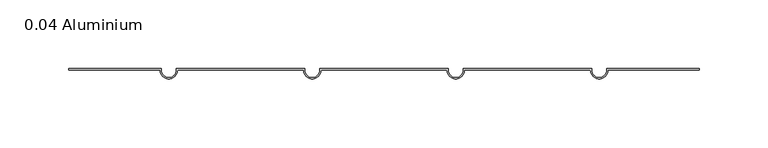
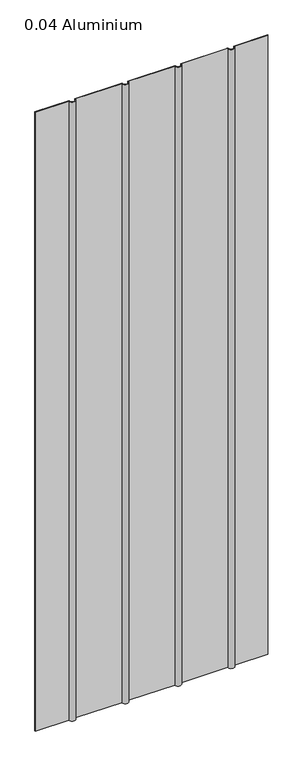
"""IFC4 building model written with IfcOpenShell, lengths in millimetres: plate geometry, 0.04 Aluminium."""

from ifc_helpers import new_model, si_unit, point, frame_2d, origin, origin_with_axes, place, context, project, spatial, polyline, circle_curve, trimmed, segment, composite_curve, outline, extrude, source, transform, mapped, element, save


def plate_0_04_aluminium_6ef417ca(model_context):
    return source(origin(), model_context, "Body", "SweptSolid", [
        extrude(outline(composite_curve([segment(polyline([(45.68698, 0.0), (-45.68698, 0.0)]), True, "CONTINUOUS"), segment(trimmed(circle_curve(frame_2d((-52.03698, 0.0)), 6.35), [point((-45.68698, 0.0))], [point((-58.38698, 0.0))], False, "CARTESIAN"), True, "CONTINUOUS"), segment(polyline([(-58.38698, 0.0), (-149.76094, 0.0)]), True, "CONTINUOUS"), segment(trimmed(circle_curve(frame_2d((-156.11094, 0.0)), 6.35), [point((-149.76094, 0.0))], [point((-162.46094, 0.0))], False, "CARTESIAN"), True, "CONTINUOUS"), segment(polyline([(-162.46094, 0.0), (-228.6, 0.0), (-228.6, 1.016), (-161.64814, 1.016), (-161.64814, 0.0)]), True, "CONTINUOUS"), segment(trimmed(circle_curve(frame_2d((-156.11094, 0.0)), 5.5372), [point((-161.64814, 0.0))], [point((-150.57374, 0.0))], True, "CARTESIAN"), True, "CONTINUOUS"), segment(polyline([(-150.57374, 0.0), (-150.57374, 1.016), (-57.57418, 1.016), (-57.57418, 0.0)]), True, "CONTINUOUS"), segment(trimmed(circle_curve(frame_2d((-52.03698, 0.0)), 5.5372), [point((-57.57418, 0.0))], [point((-46.49978, 0.0))], True, "CARTESIAN"), True, "CONTINUOUS"), segment(polyline([(-46.49978, 0.0), (-46.49978, 1.016), (46.49978, 1.016), (46.49978, 0.0)]), True, "CONTINUOUS"), segment(trimmed(circle_curve(frame_2d((52.03698, 0.0)), 5.5372), [point((46.49978, 0.0))], [point((57.57418, 0.0))], True, "CARTESIAN"), True, "CONTINUOUS"), segment(polyline([(57.57418, 0.0), (57.57418, 1.016), (150.57374, 1.016), (150.57374, 0.0)]), True, "CONTINUOUS"), segment(trimmed(circle_curve(frame_2d((156.11094, 0.0)), 5.5372), [point((150.57374, 0.0))], [point((161.64814, 0.0))], True, "CARTESIAN"), True, "CONTINUOUS"), segment(polyline([(161.64814, 0.0), (161.64814, 1.016), (228.6, 1.016), (228.6, 0.0), (162.46094, 0.0)]), True, "CONTINUOUS"), segment(trimmed(circle_curve(frame_2d((156.11094, 0.0)), 6.35), [point((162.46094, 0.0))], [point((149.76094, 0.0))], False, "CARTESIAN"), True, "CONTINUOUS"), segment(polyline([(149.76094, 0.0), (58.38698, 0.0)]), True, "CONTINUOUS"), segment(trimmed(circle_curve(frame_2d((52.03698, 0.0)), 6.35), [point((58.38698, 0.0))], [point((45.68698, 0.0))], False, "CARTESIAN"), True, "CONTINUOUS")], self_intersect=False)), origin_with_axes(), (0.0, 0.0, 1.0), 1285.875),
    ])


if __name__ == "__main__":
    model = new_model("IFC4")
    model_context = context("Model", 3, world=origin())
    ifc_project = project(units=[si_unit("LENGTHUNIT", "METRE", prefix="MILLI")], contexts=[model_context])
    site = spatial("IfcSite", under=ifc_project)
    building = spatial("IfcBuilding", under=site)
    placement = place(None, origin())
    plate_0_04_aluminium_shape = plate_0_04_aluminium_6ef417ca(model_context)
    element("IfcPlate", 1, ObjectType="0.04 Aluminium", at=placement, inside=building, context=model_context, shape_type="MappedRepresentation", body=[
        mapped(plate_0_04_aluminium_shape, transform((0.0, 0.0, 0.0), x_axis=(1.0, 0.0, 0.0), y_axis=(0.0, 1.0, 0.0), z_axis=(0.0, 0.0, 1.0))),
    ])
    save(model, "model.ifc")
